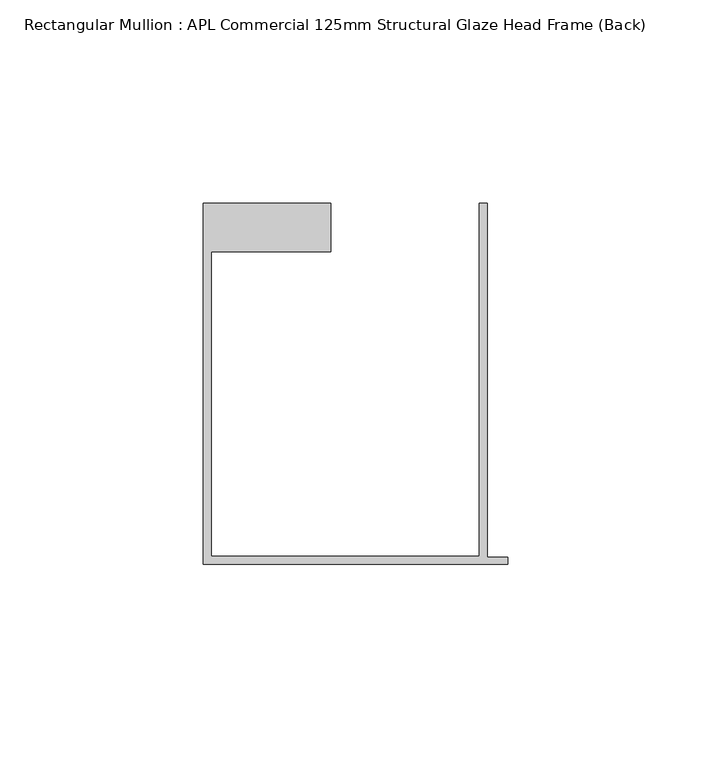
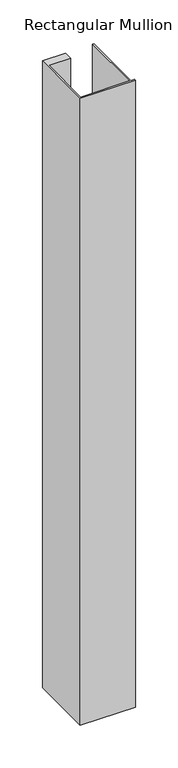
"""IFC4 building model written with IfcOpenShell, lengths in millimetres: member geometry, Rectangular Mullion : APL Commercial 125mm Structural Glaze Head Frame (Back)."""

from ifc_helpers import new_model, si_unit, frame, origin, place, context, project, spatial, polyline, outline, extrude, source, transform, mapped, element, save


def rectangular_mullion_apl_commercial_125mm_structural_glaze_48d9ed9c(model_context):
    return source(origin(), model_context, "Body", "SweptSolid", [
        extrude(outline(polyline([(-75.0, -103.9993063), (-75.0, -14.9998342), (-43.5000151, -14.9998342), (-43.5000151, -26.9997514), (-73.0, -26.9997514), (-73.0, -101.9993063), (-7.0, -101.9993063), (-7.0, -14.9998342), (-5.0, -14.9998342), (-5.0, -102.1993063), (0.0, -102.1993063), (0.0, -103.9993063), (-75.0, -103.9993063)])), frame((0.0, 0.0, -900.2963173), z_axis=(0.0, 0.0, 1.0), x_axis=(1.0, 0.0, 0.0)), (0.0, 0.0, 1.0), 900.2963173),
    ])


if __name__ == "__main__":
    model = new_model("IFC4")
    model_context = context("Model", 3, world=origin())
    ifc_project = project(units=[si_unit("LENGTHUNIT", "METRE", prefix="MILLI")], contexts=[model_context])
    site = spatial("IfcSite", under=ifc_project)
    building = spatial("IfcBuilding", under=site)
    placement = place(None, origin())
    rectangular_mullion_apl_commercial_125mm_structural_glaze_shape = rectangular_mullion_apl_commercial_125mm_structural_glaze_48d9ed9c(model_context)
    element("IfcMember", 1, ObjectType="Rectangular Mullion : APL Commercial 125mm Structural Glaze Head Frame (Back)", at=placement, inside=building, context=model_context, shape_type="MappedRepresentation", body=[
        mapped(rectangular_mullion_apl_commercial_125mm_structural_glaze_shape, transform((0.0, 0.0, 0.0), x_axis=(1.0, 0.0, 0.0), y_axis=(0.0, 1.0, 0.0), z_axis=(0.0, 0.0, 1.0))),
    ])
    save(model, "model.ifc")
